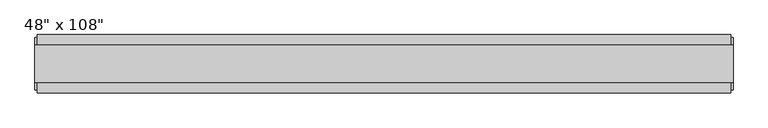
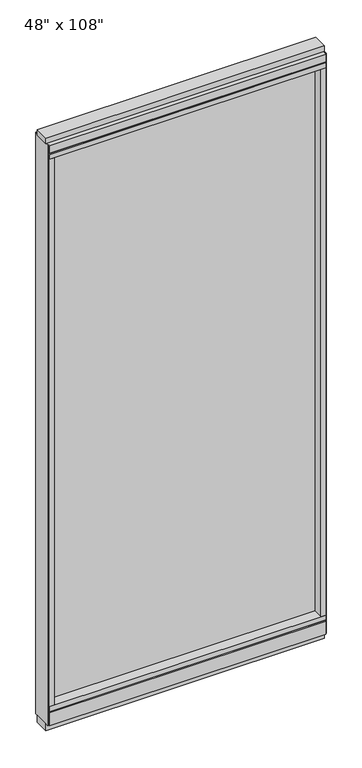
"""IFC4 building model written with IfcOpenShell, lengths in millimetres: furniture geometry."""

from ifc_helpers import new_model, si_unit, frame, origin, origin_with_axes, place, context, project, spatial, polyline, outline, extrude, source, transform, mapped, element, save


def furniture_ade25da8(model_context):
    return source(origin(), model_context, "Body", "SweptSolid", [
        extrude(outline(polyline([(523.4014771, 9.5977216), (523.4014771, -0.5622784), (-643.4745229, -0.5622784), (-643.4745229, 9.5977216), (523.4014771, 9.5977216)])), frame((0.0, 0.0, 120.523), z_axis=(0.0, 0.0, 1.0), x_axis=(1.0, 0.0, 0.0)), (0.0, 0.0, 1.0), 2533.777),
        extrude(outline(polyline([(55.3177216, 93.345), (55.3177216, 31.75), (-46.2822784, 31.75), (-46.2822784, 93.345), (-41.3292784, 93.345), (-41.3292784, 98.298), (50.3647216, 98.298), (50.3647216, 93.345), (55.3177216, 93.345)])), frame((-665.6995229, 0.0, 0.0), z_axis=(1.0, 0.0, 0.0), x_axis=(0.0, 1.0, 0.0)), (0.0, 0.0, 1.0), 1211.326),
        extrude(outline(polyline([(-665.6995229, 55.3177216), (545.6264771, 55.3177216), (545.6264771, -46.2822784), (-665.6995229, -46.2822784), (-665.6995229, 55.3177216)])), frame((0.0, 0.0, 98.298), z_axis=(0.0, 0.0, 1.0), x_axis=(1.0, 0.0, 0.0)), (0.0, 0.0, 1.0), 22.225),
        extrude(outline(polyline([(549.5634771, -27.9942784), (-669.6365229, -27.9942784), (-669.6365229, 37.0297216), (549.5634771, 37.0297216), (549.5634771, -27.9942784)])), origin_with_axes(), (0.0, 0.0, 1.0), 31.75),
        extrude(outline(polyline([(-669.6365229, 37.0297216), (549.5634771, 37.0297216), (549.5634771, -27.9942784), (-669.6365229, -27.9942784), (-669.6365229, 37.0297216)])), frame((0.0, 0.0, 2717.8), z_axis=(0.0, 0.0, 1.0), x_axis=(1.0, 0.0, 0.0)), (0.0, 0.0, 1.0), 25.4),
        extrude(outline(polyline([(55.3177216, 2681.478), (50.3647216, 2681.478), (50.3647216, 2676.525), (-41.3292784, 2676.525), (-41.3292784, 2681.478), (-46.2822784, 2681.478), (-46.2822784, 2717.8), (55.3177216, 2717.8), (55.3177216, 2681.478)])), frame((-665.6995229, 0.0, 0.0), z_axis=(1.0, 0.0, 0.0), x_axis=(0.0, 1.0, 0.0)), (0.0, 0.0, 1.0), 1211.326),
        extrude(outline(polyline([(545.6264771, -46.2822784), (-665.6995229, -46.2822784), (-665.6995229, 55.3177216), (545.6264771, 55.3177216), (545.6264771, -46.2822784)])), frame((0.0, 0.0, 2654.3), z_axis=(0.0, 0.0, 1.0), x_axis=(1.0, 0.0, 0.0)), (0.0, 0.0, 1.0), 22.225),
        extrude(outline(polyline([(523.4014771, 55.3177216), (545.6264771, 55.3177216), (545.6264771, -46.2822784), (523.4014771, -46.2822784), (523.4014771, 55.3177216)])), frame((0.0, 0.0, 120.523), z_axis=(0.0, 0.0, 1.0), x_axis=(1.0, 0.0, 0.0)), (0.0, 0.0, 1.0), 2533.777),
        extrude(outline(polyline([(-643.4745229, 55.3177216), (-643.4745229, -46.2822784), (-665.6995229, -46.2822784), (-665.6995229, 55.3177216), (-643.4745229, 55.3177216)])), frame((0.0, 0.0, 120.523), z_axis=(0.0, 0.0, 1.0), x_axis=(1.0, 0.0, 0.0)), (0.0, 0.0, 1.0), 2533.777),
        extrude(outline(polyline([(549.5634771, 50.3647216), (549.5634771, -41.3292784), (545.6264771, -41.3292784), (545.6264771, 50.3647216), (549.5634771, 50.3647216)])), frame((0.0, 0.0, 31.75), z_axis=(0.0, 0.0, 1.0), x_axis=(1.0, 0.0, 0.0)), (0.0, 0.0, 1.0), 2686.05),
        extrude(outline(polyline([(-669.6365229, 50.3647216), (-665.6995229, 50.3647216), (-665.6995229, -41.3292784), (-669.6365229, -41.3292784), (-669.6365229, 50.3647216)])), frame((0.0, 0.0, 31.75), z_axis=(0.0, 0.0, 1.0), x_axis=(1.0, 0.0, 0.0)), (0.0, 0.0, 1.0), 2686.05),
    ])


if __name__ == "__main__":
    model = new_model("IFC4")
    model_context = context("Model", 3, world=origin())
    ifc_project = project(units=[si_unit("LENGTHUNIT", "METRE", prefix="MILLI")], contexts=[model_context])
    site = spatial("IfcSite", under=ifc_project)
    building = spatial("IfcBuilding", under=site)
    placement = place(None, origin())
    furniture_shape = furniture_ade25da8(model_context)
    element("IfcFurniture", 1, ObjectType="48\" x 108\"", at=placement, inside=building, context=model_context, shape_type="MappedRepresentation", body=[
        mapped(furniture_shape, transform((0.0, 0.0, 0.0), x_axis=(1.0, 0.0, 0.0), y_axis=(0.0, 1.0, 0.0), z_axis=(0.0, 0.0, 1.0))),
    ])
    save(model, "model.ifc")
